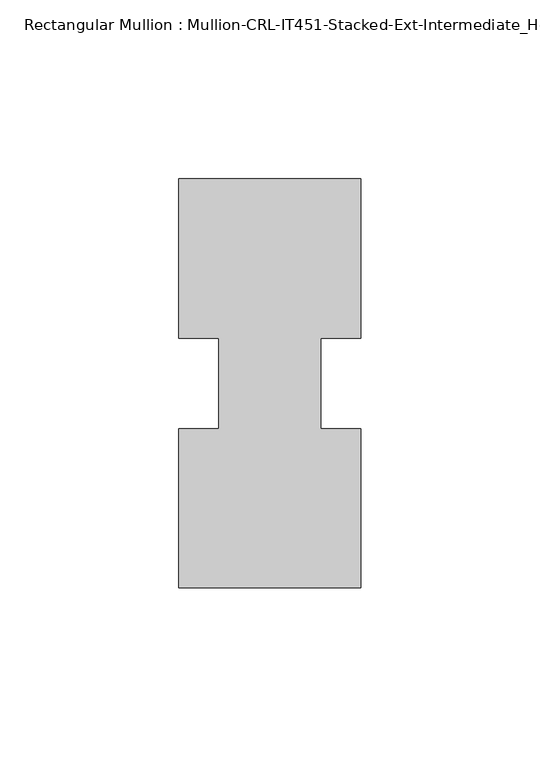
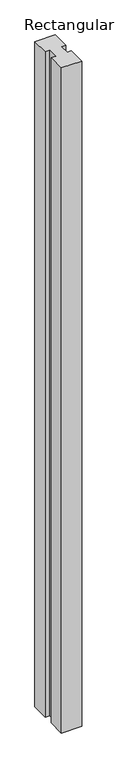
"""IFC4 building model written with IfcOpenShell, lengths in millimetres: member geometry, Rectangular Mullion : Mullion-CRL-IT451-Stacked-Ext-Intermediate_Horizontal."""

from ifc_helpers import new_model, si_unit, frame, origin, place, context, project, spatial, polyline, outline, extrude, source, transform, mapped, element, save


def rectangular_mullion_mullion_crl_it451_stacked_ext_4dce9f2f(model_context):
    return source(origin(), model_context, "Body", "SweptSolid", [
        extrude(outline(polyline([(25.4, -57.15), (-25.4, -57.15), (-25.4, -12.7), (-14.2875, -12.7), (-14.2875, 12.6906895), (-25.4, 12.6906895), (-25.4, 57.15), (25.4, 57.15), (25.4, 12.6906895), (14.2875, 12.6906895), (14.2875, -12.7), (25.4, -12.7), (25.4, -57.15)])), frame((0.0, 0.0, -1752.6), z_axis=(0.0, 0.0, 1.0), x_axis=(1.0, 0.0, 0.0)), (0.0, 0.0, 1.0), 1752.6),
    ])


if __name__ == "__main__":
    model = new_model("IFC4")
    model_context = context("Model", 3, world=origin())
    ifc_project = project(units=[si_unit("LENGTHUNIT", "METRE", prefix="MILLI")], contexts=[model_context])
    site = spatial("IfcSite", under=ifc_project)
    building = spatial("IfcBuilding", under=site)
    placement = place(None, origin())
    rectangular_mullion_mullion_crl_it451_stacked_ext_shape = rectangular_mullion_mullion_crl_it451_stacked_ext_4dce9f2f(model_context)
    element("IfcMember", 1, ObjectType="Rectangular Mullion : Mullion-CRL-IT451-Stacked-Ext-Intermediate_Horizontal", at=placement, inside=building, context=model_context, shape_type="MappedRepresentation", body=[
        mapped(rectangular_mullion_mullion_crl_it451_stacked_ext_shape, transform((0.0, 0.0, 0.0), x_axis=(1.0, 0.0, 0.0), y_axis=(0.0, 1.0, 0.0), z_axis=(0.0, 0.0, 1.0))),
    ])
    save(model, "model.ifc")
